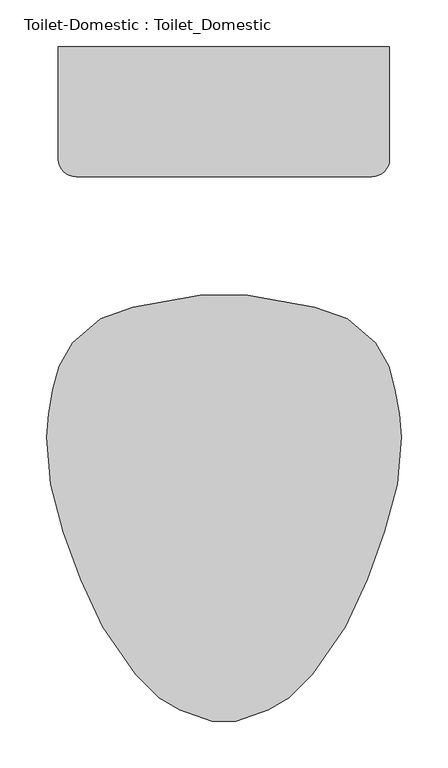
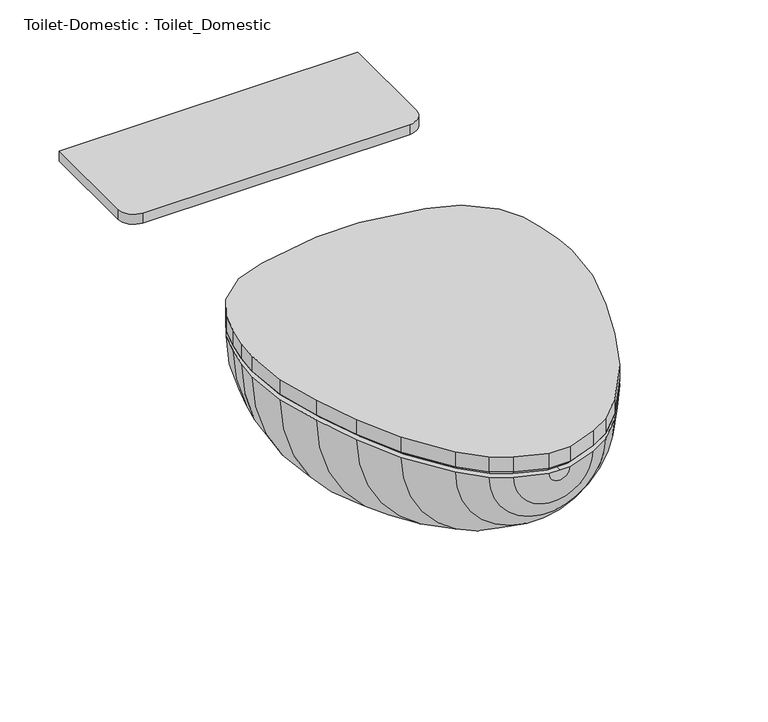
"""IFC4 building model written with IfcOpenShell, lengths in millimetres: flow terminal geometry, Toilet-Domestic : Toilet_Domestic."""

from ifc_helpers import new_model, si_unit, point, frame, frame_2d, origin, place, context, project, spatial, polyline, circle_curve, trimmed, segment, composite_curve, outline, extrude, faceted_brep, source, transform, mapped, element, save
from ifc_brep_helpers import plane_surface, revolved_surface, advanced_brep


def toilet_domestic_toilet_domestic_183bbd19(model_context):
    return source(origin(), model_context, "Body", "SolidModel", [
        advanced_brep(
        [(-25.4, 152.4, 361.95), (-97.4252791, 139.7, 361.95), (-132.3182423, 127.0, 361.95), (-162.5887836, 101.6, 361.95), (-176.9845865, 76.2, 361.95), (-183.790496, 50.8, 361.95), (-188.2862441, 25.3033453, 361.95), (-190.5, 0.0, 361.95), (-186.0724883, -50.6066907, 361.95), (-172.4088722, -101.6, 361.95), (-153.9191843, -152.4, 361.95), (-130.2307553, -203.2, 361.95), (-94.9900085, -254.0, 361.95), (-69.5900085, -279.4, 361.95), (-47.5929632, -292.1, 361.95), (-12.7, -304.8, 361.95), (0.0, -304.8, 361.95), (0.0, -284.592034, 361.95), (-12.5224565, -284.592034, 361.95), (-39.5113323, -274.7688865, 361.95), (-58.4178985, -263.8531754, 361.95), (-79.2146703, -243.0564036, 361.95), (-114.0255101, -192.8761202, 361.95), (-136.654021, -144.3491221, 361.95), (-154.575847, -95.1093097, 361.95), (-167.7238545, -46.0402777, 361.95), (-171.5645445, -2.1409906, 361.95), (-169.3087351, 23.6430284, 361.95), (-165.101298, 47.5045901, 361.95), (-159.5484355, 68.2281551, 361.95), (-146.1085923, 90.5605136, 361.95), (-121.9980886, 110.7916284, 361.95), (-94.1172813, 120.9394123, 361.95), (-22.0920022, 133.6394123, 361.95), (0.0, 133.6394123, 361.95), (0.0, 152.4, 361.95), (25.4, 152.4, 361.95), (22.0920022, 133.6394123, 361.95), (94.1172813, 120.9394123, 361.95), (121.9980886, 110.7916284, 361.95), (146.1085923, 90.5605136, 361.95), (159.5484355, 68.2281551, 361.95), (165.101298, 47.5045901, 361.95), (169.3087351, 23.6430284, 361.95), (171.5645445, -2.1409906, 361.95), (167.7238545, -46.0402777, 361.95), (154.575847, -95.1093097, 361.95), (136.654021, -144.3491221, 361.95), (114.0255101, -192.8761202, 361.95), (79.2146703, -243.0564036, 361.95), (58.4178985, -263.8531754, 361.95), (39.5113323, -274.7688865, 361.95), (12.5224565, -284.592034, 361.95), (12.7, -304.8, 361.95), (47.5929632, -292.1, 361.95), (69.5900085, -279.4, 361.95), (94.9900085, -254.0, 361.95), (130.2307553, -203.2, 361.95), (153.9191843, -152.4, 361.95), (172.4088722, -101.6, 361.95), (186.0724883, -50.6066907, 361.95), (190.5, 0.0, 361.95), (188.2862441, 25.3033453, 361.95), (183.790496, 50.8, 361.95), (176.9845865, 76.2, 361.95), (162.5887836, 101.6, 361.95), (132.3182423, 127.0, 361.95), (97.4252791, 139.7, 361.95)],
        [
            (0, 1),
            (1, 2),
            (2, 3),
            (3, 4),
            (4, 5),
            (5, 6),
            (6, 7),
            (7, 8),
            (8, 9),
            (9, 10),
            (10, 11),
            (11, 12),
            (12, 13),
            (13, 14),
            (14, 15),
            (15, 16),
            (16, 17),
            (17, 18),
            (18, 19),
            (19, 20),
            (20, 21),
            (21, 22),
            (22, 23),
            (23, 24),
            (24, 25),
            (25, 26),
            (26, 27),
            (27, 28),
            (28, 29),
            (29, 30),
            (30, 31),
            (31, 32),
            (32, 33),
            (33, 34),
            (34, 35),
            (35, 0),
            (36, 35),
            (34, 37),
            (37, 38),
            (38, 39),
            (39, 40),
            (40, 41),
            (41, 42),
            (42, 43),
            (43, 44),
            (44, 45),
            (45, 46),
            (46, 47),
            (47, 48),
            (48, 49),
            (49, 50),
            (50, 51),
            (51, 52),
            (52, 17),
            (16, 53),
            (53, 54),
            (54, 55),
            (55, 56),
            (56, 57),
            (57, 58),
            (58, 59),
            (59, 60),
            (60, 61),
            (61, 62),
            (62, 63),
            (63, 64),
            (64, 65),
            (65, 66),
            (66, 67),
            (67, 36),
            (67, 1, circle_curve(frame((0.0, 139.7, 361.95), z_axis=(0.0, 1.0, 0.0), x_axis=(-1.0, 0.0, 0.0)), 97.4252791)),
            (0, 36, circle_curve(frame((0.0, 152.4, 361.95), z_axis=(0.0, -1.0, 0.0), x_axis=(-1.0, 0.0, 0.0)), 25.4)),
            (66, 2, circle_curve(frame((0.0, 127.0, 361.95), z_axis=(0.0, 1.0, 0.0), x_axis=(-1.0, 0.0, 0.0)), 132.3182423)),
            (65, 3, circle_curve(frame((0.0, 101.6, 361.95), z_axis=(0.0, 1.0, 0.0), x_axis=(-1.0, 0.0, 0.0)), 162.5887836)),
            (64, 4, circle_curve(frame((0.0, 76.2, 361.95), z_axis=(0.0, 1.0, 0.0), x_axis=(-1.0, 0.0, 0.0)), 176.9845865)),
            (63, 5, circle_curve(frame((0.0, 50.8, 361.95), z_axis=(0.0, 1.0, 0.0), x_axis=(-1.0, 0.0, 0.0)), 183.790496)),
            (62, 6, circle_curve(frame((0.0, 25.3033453, 361.95), z_axis=(0.0, 1.0, 0.0), x_axis=(-1.0, 0.0, 0.0)), 188.2862441)),
            (61, 7, circle_curve(frame((0.0, 0.0, 361.95), z_axis=(0.0, 1.0, 0.0), x_axis=(-1.0, 0.0, 0.0)), 190.5)),
            (60, 8, circle_curve(frame((0.0, -50.6066907, 361.95), z_axis=(0.0, 1.0, 0.0), x_axis=(-1.0, 0.0, 0.0)), 186.0724883)),
            (59, 9, circle_curve(frame((0.0, -101.6, 361.95), z_axis=(0.0, 1.0, 0.0), x_axis=(-1.0, 0.0, 0.0)), 172.4088722)),
            (58, 10, circle_curve(frame((0.0, -152.4, 361.95), z_axis=(0.0, 1.0, 0.0), x_axis=(-1.0, 0.0, 0.0)), 153.9191843)),
            (57, 11, circle_curve(frame((0.0, -203.2, 361.95), z_axis=(0.0, 1.0, 0.0), x_axis=(-1.0, 0.0, 0.0)), 130.2307553)),
            (56, 12, circle_curve(frame((0.0, -254.0, 361.95), z_axis=(0.0, 1.0, 0.0), x_axis=(-1.0, 0.0, 0.0)), 94.9900085)),
            (55, 13, circle_curve(frame((0.0, -279.4, 361.95), z_axis=(0.0, 1.0, 0.0), x_axis=(-1.0, 0.0, 0.0)), 69.5900085)),
            (54, 14, circle_curve(frame((0.0, -292.1, 361.95), z_axis=(0.0, 1.0, 0.0), x_axis=(-1.0, 0.0, 0.0)), 47.5929632)),
            (53, 15, circle_curve(frame((0.0, -304.8, 361.95), z_axis=(0.0, 1.0, 0.0), x_axis=(-1.0, 0.0, 0.0)), 12.7)),
            (52, 18, circle_curve(frame((0.0, -284.592034, 361.95), z_axis=(0.0, 1.0, 0.0), x_axis=(-1.0, 0.0, 0.0)), 12.5224565)),
            (51, 19, circle_curve(frame((0.0, -274.7688865, 361.95), z_axis=(0.0, 1.0, 0.0), x_axis=(-1.0, 0.0, 0.0)), 39.5113323)),
            (50, 20, circle_curve(frame((0.0, -263.8531754, 361.95), z_axis=(0.0, 1.0, 0.0), x_axis=(-1.0, 0.0, 0.0)), 58.4178985)),
            (49, 21, circle_curve(frame((0.0, -243.0564036, 361.95), z_axis=(0.0, 1.0, 0.0), x_axis=(-1.0, 0.0, 0.0)), 79.2146703)),
            (48, 22, circle_curve(frame((0.0, -192.8761202, 361.95), z_axis=(0.0, 1.0, 0.0), x_axis=(-1.0, 0.0, 0.0)), 114.0255101)),
            (47, 23, circle_curve(frame((0.0, -144.3491221, 361.95), z_axis=(0.0, 1.0, 0.0), x_axis=(-1.0, 0.0, 0.0)), 136.654021)),
            (46, 24, circle_curve(frame((0.0, -95.1093097, 361.95), z_axis=(0.0, 1.0, 0.0), x_axis=(-1.0, 0.0, 0.0)), 154.575847)),
            (45, 25, circle_curve(frame((0.0, -46.0402777, 361.95), z_axis=(0.0, 1.0, 0.0), x_axis=(-1.0, 0.0, 0.0)), 167.7238545)),
            (44, 26, circle_curve(frame((0.0, -2.1409906, 361.95), z_axis=(0.0, 1.0, 0.0), x_axis=(-1.0, 0.0, 0.0)), 171.5645445)),
            (43, 27, circle_curve(frame((0.0, 23.6430284, 361.95), z_axis=(0.0, 1.0, 0.0), x_axis=(-1.0, 0.0, 0.0)), 169.3087351)),
            (42, 28, circle_curve(frame((0.0, 47.5045901, 361.95), z_axis=(0.0, 1.0, 0.0), x_axis=(-1.0, 0.0, 0.0)), 165.101298)),
            (41, 29, circle_curve(frame((0.0, 68.2281551, 361.95), z_axis=(0.0, 1.0, 0.0), x_axis=(-1.0, 0.0, 0.0)), 159.5484355)),
            (40, 30, circle_curve(frame((0.0, 90.5605136, 361.95), z_axis=(0.0, 1.0, 0.0), x_axis=(-1.0, 0.0, 0.0)), 146.1085923)),
            (39, 31, circle_curve(frame((0.0, 110.7916284, 361.95), z_axis=(0.0, 1.0, 0.0), x_axis=(-1.0, 0.0, 0.0)), 121.9980886)),
            (38, 32, circle_curve(frame((0.0, 120.9394123, 361.95), z_axis=(0.0, 1.0, 0.0), x_axis=(-1.0, 0.0, 0.0)), 94.1172813)),
            (37, 33, circle_curve(frame((0.0, 133.6394123, 361.95), z_axis=(0.0, 1.0, 0.0), x_axis=(-1.0, 0.0, 0.0)), 22.0920022)),
        ],
        [
            plane_surface(frame((0.0, 175.1599017, 361.95), z_axis=(0.0, 0.0, 1.0), x_axis=(-1.0, 0.0, 0.0))),
            plane_surface(frame((0.0, 175.1599017, 361.95), z_axis=(0.0, 0.0, 1.0), x_axis=(1.0, 0.0, 0.0))),
            revolved_surface(polyline([(-25.4, 152.4, 361.95), (-97.4252791, 139.7, 361.95)]), (0.0, 175.1599017, 361.95), (0.0, -1.0, 0.0)),
            revolved_surface(polyline([(-97.4252791, 139.7, 361.95), (-132.3182423, 127.0, 361.95)]), (0.0, 175.1599017, 361.95), (0.0, -1.0, 0.0)),
            revolved_surface(polyline([(-132.3182423, 127.0, 361.95), (-162.5887836, 101.6, 361.95)]), (0.0, 175.1599017, 361.95), (0.0, -1.0, 0.0)),
            revolved_surface(polyline([(-162.5887836, 101.6, 361.95), (-176.9845865, 76.2, 361.95)]), (0.0, 175.1599017, 361.95), (0.0, -1.0, 0.0)),
            revolved_surface(polyline([(-176.9845865, 76.2, 361.95), (-183.790496, 50.8, 361.95)]), (0.0, 175.1599017, 361.95), (0.0, -1.0, 0.0)),
            revolved_surface(polyline([(-183.790496, 50.8, 361.95), (-188.2862441, 25.3033453, 361.95)]), (0.0, 175.1599017, 361.95), (0.0, -1.0, 0.0)),
            revolved_surface(polyline([(-188.2862441, 25.3033453, 361.95), (-190.5, 0.0, 361.95)]), (0.0, 175.1599017, 361.95), (0.0, -1.0, 0.0)),
            revolved_surface(polyline([(-190.5, 0.0, 361.95), (-186.0724883, -50.6066907, 361.95)]), (0.0, 175.1599017, 361.95), (0.0, -1.0, 0.0)),
            revolved_surface(polyline([(-186.0724883, -50.6066907, 361.95), (-172.4088722, -101.6, 361.95)]), (0.0, 175.1599017, 361.95), (0.0, -1.0, 0.0)),
            revolved_surface(polyline([(-172.4088722, -101.6, 361.95), (-153.9191843, -152.4, 361.95)]), (0.0, 175.1599017, 361.95), (0.0, -1.0, 0.0)),
            revolved_surface(polyline([(-153.9191843, -152.4, 361.95), (-130.2307553, -203.2, 361.95)]), (0.0, 175.1599017, 361.95), (0.0, -1.0, 0.0)),
            revolved_surface(polyline([(-130.2307553, -203.2, 361.95), (-94.9900085, -254.0, 361.95)]), (0.0, 175.1599017, 361.95), (0.0, -1.0, 0.0)),
            revolved_surface(polyline([(-94.9900085, -254.0, 361.95), (-69.5900085, -279.4, 361.95)]), (0.0, 175.1599017, 361.95), (0.0, -1.0, 0.0)),
            revolved_surface(polyline([(-69.5900085, -279.4, 361.95), (-47.5929632, -292.1, 361.95)]), (0.0, 175.1599017, 361.95), (0.0, -1.0, 0.0)),
            revolved_surface(polyline([(-47.5929632, -292.1, 361.95), (-12.7, -304.8, 361.95)]), (0.0, 175.1599017, 361.95), (0.0, -1.0, 0.0)),
            plane_surface(frame((0.0, -304.8, 361.95), z_axis=(0.0, -1.0, 0.0), x_axis=(-1.0, 0.0, 0.0))),
            plane_surface(frame((0.0, -284.592034, 361.95), z_axis=(0.0, 1.0, 0.0), x_axis=(-1.0, 0.0, 0.0))),
            revolved_surface(polyline([(-12.5224565, -284.592034, 361.95), (-39.5113323, -274.7688865, 361.95)]), (0.0, 175.1599017, 361.95), (0.0, -1.0, 0.0)),
            revolved_surface(polyline([(-39.5113323, -274.7688865, 361.95), (-58.4178985, -263.8531754, 361.95)]), (0.0, 175.1599017, 361.95), (0.0, -1.0, 0.0)),
            revolved_surface(polyline([(-58.4178985, -263.8531754, 361.95), (-79.2146703, -243.0564036, 361.95)]), (0.0, 175.1599017, 361.95), (0.0, -1.0, 0.0)),
            revolved_surface(polyline([(-79.2146703, -243.0564036, 361.95), (-114.0255101, -192.8761202, 361.95)]), (0.0, 175.1599017, 361.95), (0.0, -1.0, 0.0)),
            revolved_surface(polyline([(-114.0255101, -192.8761202, 361.95), (-136.654021, -144.3491221, 361.95)]), (0.0, 175.1599017, 361.95), (0.0, -1.0, 0.0)),
            revolved_surface(polyline([(-136.654021, -144.3491221, 361.95), (-154.575847, -95.1093097, 361.95)]), (0.0, 175.1599017, 361.95), (0.0, -1.0, 0.0)),
            revolved_surface(polyline([(-154.575847, -95.1093097, 361.95), (-167.7238545, -46.0402777, 361.95)]), (0.0, 175.1599017, 361.95), (0.0, -1.0, 0.0)),
            revolved_surface(polyline([(-167.7238545, -46.0402777, 361.95), (-171.5645445, -2.1409906, 361.95)]), (0.0, 175.1599017, 361.95), (0.0, -1.0, 0.0)),
            revolved_surface(polyline([(-171.5645445, -2.1409906, 361.95), (-169.3087351, 23.6430284, 361.95)]), (0.0, 175.1599017, 361.95), (0.0, -1.0, 0.0)),
            revolved_surface(polyline([(-169.3087351, 23.6430284, 361.95), (-165.101298, 47.5045901, 361.95)]), (0.0, 175.1599017, 361.95), (0.0, -1.0, 0.0)),
            revolved_surface(polyline([(-165.101298, 47.5045901, 361.95), (-159.5484355, 68.2281551, 361.95)]), (0.0, 175.1599017, 361.95), (0.0, -1.0, 0.0)),
            revolved_surface(polyline([(-159.5484355, 68.2281551, 361.95), (-146.1085923, 90.5605136, 361.95)]), (0.0, 175.1599017, 361.95), (0.0, -1.0, 0.0)),
            revolved_surface(polyline([(-146.1085923, 90.5605136, 361.95), (-121.9980886, 110.7916284, 361.95)]), (0.0, 175.1599017, 361.95), (0.0, -1.0, 0.0)),
            revolved_surface(polyline([(-121.9980886, 110.7916284, 361.95), (-94.1172813, 120.9394123, 361.95)]), (0.0, 175.1599017, 361.95), (0.0, -1.0, 0.0)),
            revolved_surface(polyline([(-94.1172813, 120.9394123, 361.95), (-22.0920022, 133.6394123, 361.95)]), (0.0, 175.1599017, 361.95), (0.0, -1.0, 0.0)),
            plane_surface(frame((0.0, 133.6394123, 361.95), z_axis=(0.0, -1.0, 0.0), x_axis=(-1.0, 0.0, 0.0))),
            plane_surface(frame((0.0, 152.4, 361.95), z_axis=(0.0, 1.0, 0.0), x_axis=(-1.0, 0.0, 0.0))),
        ],
        [
            (0, [[1, 2, 3, 4, 5, 6, 7, 8, 9, 10, 11, 12, 13, 14, 15, 16, 17, 18, 19, 20, 21, 22, 23, 24, 25, 26, 27, 28, 29, 30, 31, 32, 33, 34, 35, 36]]),
            (1, [[37, -35, 38, 39, 40, 41, 42, 43, 44, 45, 46, 47, 48, 49, 50, 51, 52, 53, 54, -17, 55, 56, 57, 58, 59, 60, 61, 62, 63, 64, 65, 66, 67, 68, 69, 70]]),
            (2, [[71, -1, 72, -70]]),
            (3, [[73, -2, -71, -69]]),
            (4, [[74, -3, -73, -68]]),
            (5, [[75, -4, -74, -67]]),
            (6, [[76, -5, -75, -66]]),
            (7, [[77, -6, -76, -65]]),
            (8, [[78, -7, -77, -64]]),
            (9, [[79, -8, -78, -63]]),
            (10, [[80, -9, -79, -62]]),
            (11, [[81, -10, -80, -61]]),
            (12, [[82, -11, -81, -60]]),
            (13, [[83, -12, -82, -59]]),
            (14, [[84, -13, -83, -58]]),
            (15, [[85, -14, -84, -57]]),
            (16, [[86, -15, -85, -56]]),
            (17, [[-16, -86, -55]]),
            (18, [[87, -18, -54]]),
            (19, [[88, -19, -87, -53]]),
            (20, [[89, -20, -88, -52]]),
            (21, [[90, -21, -89, -51]]),
            (22, [[91, -22, -90, -50]]),
            (23, [[92, -23, -91, -49]]),
            (24, [[93, -24, -92, -48]]),
            (25, [[94, -25, -93, -47]]),
            (26, [[95, -26, -94, -46]]),
            (27, [[96, -27, -95, -45]]),
            (28, [[97, -28, -96, -44]]),
            (29, [[98, -29, -97, -43]]),
            (30, [[99, -30, -98, -42]]),
            (31, [[100, -31, -99, -41]]),
            (32, [[101, -32, -100, -40]]),
            (33, [[102, -33, -101, -39]]),
            (34, [[-34, -102, -38]]),
            (35, [[-72, -36, -37]]),
        ],
    ),
        faceted_brep([(-97.4252791, 139.7, 368.3), (-132.3182423, 127.0, 368.3), (-162.5887836, 101.6, 368.3), (-176.9845865, 76.2, 368.3), (-183.790496, 50.8, 368.3), (-188.2862441, 25.3033453, 368.3), (-190.5, 0.0, 368.3), (-186.0724883, -50.6066907, 368.3), (-172.4088722, -101.6, 368.3), (-153.9191843, -152.4, 368.3), (-130.2307553, -203.2, 368.3), (-94.9900085, -254.0, 368.3), (-69.5900085, -279.4, 368.3), (-47.5929632, -292.1, 368.3), (-12.7, -304.8, 368.3), (12.7, -304.8, 368.3), (47.5929632, -292.1, 368.3), (69.5900085, -279.4, 368.3), (94.9900085, -254.0, 368.3), (130.2307553, -203.2, 368.3), (153.9191843, -152.4, 368.3), (172.4088722, -101.6, 368.3), (186.0724883, -50.6066907, 368.3), (190.5, 0.0, 368.3), (188.2862441, 25.3033453, 368.3), (183.790496, 50.8, 368.3), (176.9845865, 76.2, 368.3), (162.5887836, 101.6, 368.3), (132.3182423, 127.0, 368.3), (97.4252791, 139.7, 368.3), (25.4, 152.4, 368.3), (-25.4, 152.4, 368.3), (-95.7755003, 133.5429415, 361.95), (-24.844447, 146.05, 361.95), (24.844447, 146.05, 361.95), (95.7755003, 133.5429415, 361.95), (129.0942628, 121.4159037, 361.95), (157.6293435, 97.472128, 361.95), (171.060664, 73.773864, 361.95), (177.5851102, 49.4242991, 361.95), (181.9845715, 24.4737144, 361.95), (184.125744, 0.0, 361.95), (179.7950716, -49.4998127, 361.95), (166.347, -99.688699, 361.95), (148.0469602, -149.9676451, 361.95), (124.7045808, -200.0255393, 361.95), (90.0971582, -249.9125941, 361.95), (65.691017, -274.3187354, 361.95), (44.8990862, -286.3229622, 361.95), (11.5803237, -298.45, 361.95), (-11.5803237, -298.45, 361.95), (-44.8990862, -286.3229622, 361.95), (-65.691017, -274.3187354, 361.95), (-90.0971582, -249.9125941, 361.95), (-124.7045808, -200.0255393, 361.95), (-148.0469602, -149.9676451, 361.95), (-166.347, -99.688699, 361.95), (-179.7950716, -49.4998127, 361.95), (-184.125744, 0.0, 361.95), (-181.9845715, 24.4737144, 361.95), (-177.5851102, 49.4242991, 361.95), (-171.060664, 73.773864, 361.95), (-157.6293435, 97.472128, 361.95), (-129.0942628, 121.4159037, 361.95)], [[[0, 1, 2, 3, 4, 5, 6, 7, 8, 9, 10, 11, 12, 13, 14, 15, 16, 17, 18, 19, 20, 21, 22, 23, 24, 25, 26, 27, 28, 29, 30, 31]], [[32, 33, 34, 35, 36, 37, 38, 39, 40, 41, 42, 43, 44, 45, 46, 47, 48, 49, 50, 51, 52, 53, 54, 55, 56, 57, 58, 59, 60, 61, 62, 63]], [[32, 63, 1, 0]], [[63, 62, 2, 1]], [[62, 61, 3, 2]], [[61, 60, 4, 3]], [[60, 59, 5, 4]], [[59, 58, 6, 5]], [[58, 57, 7, 6]], [[57, 56, 8, 7]], [[56, 55, 9, 8]], [[55, 54, 10, 9]], [[54, 53, 11, 10]], [[53, 52, 12, 11]], [[52, 51, 13, 12]], [[51, 50, 14, 13]], [[50, 49, 15, 14]], [[49, 48, 16, 15]], [[48, 47, 17, 16]], [[47, 46, 18, 17]], [[46, 45, 19, 18]], [[45, 44, 20, 19]], [[44, 43, 21, 20]], [[43, 42, 22, 21]], [[42, 41, 23, 22]], [[41, 40, 24, 23]], [[40, 39, 25, 24]], [[39, 38, 26, 25]], [[38, 37, 27, 26]], [[37, 36, 28, 27]], [[36, 35, 29, 28]], [[35, 34, 30, 29]], [[34, 33, 31, 30]], [[33, 32, 0, 31]]]),
        extrude(outline(composite_curve([segment(polyline([(177.8, 419.1), (177.8, 298.45)]), True, "CONTINUOUS"), segment(trimmed(circle_curve(frame_2d((158.75, 298.45)), 19.05), [point((177.8, 298.45))], [point((158.75, 279.4))], False, "CARTESIAN"), True, "CONTINUOUS"), segment(polyline([(158.75, 279.4), (-158.75, 279.4)]), True, "CONTINUOUS"), segment(trimmed(circle_curve(frame_2d((-158.75, 298.45)), 19.05), [point((-158.75, 279.4))], [point((-177.8, 298.45))], False, "CARTESIAN"), True, "CONTINUOUS"), segment(polyline([(-177.8, 298.45), (-177.8, 419.1), (177.8, 419.1)]), True, "CONTINUOUS")], self_intersect=False)), frame((0.0, 0.0, 374.65), z_axis=(0.0, 0.0, 1.0), x_axis=(1.0, 0.0, 0.0)), (0.0, 0.0, 1.0), 12.5681453),
        extrude(outline(polyline([(-162.5887836, 101.6), (-132.3182423, 127.0), (-97.4252791, 139.7), (-25.4, 152.4), (25.4, 152.4), (97.4252791, 139.7), (132.3182423, 127.0), (162.5887836, 101.6), (176.9845865, 76.2), (183.790496, 50.8), (188.2862441, 25.3033453), (190.5, 0.0), (186.0724883, -50.6066907), (172.4088722, -101.6), (153.9191843, -152.4), (130.2307553, -203.2), (94.9900085, -254.0), (69.5900085, -279.4), (47.5929632, -292.1), (12.7, -304.8), (-12.7, -304.8), (-47.5929632, -292.1), (-69.5900085, -279.4), (-94.9900085, -254.0), (-130.2307553, -203.2), (-153.9191843, -152.4), (-172.4088722, -101.6), (-186.0724883, -50.6066907), (-190.5, 0.0), (-188.2862441, 25.3033453), (-183.790496, 50.8), (-176.9845865, 76.2), (-162.5887836, 101.6)])), frame((0.0, 0.0, 368.3), z_axis=(0.0, 0.0, 1.0), x_axis=(1.0, 0.0, 0.0)), (0.0, 0.0, 1.0), 19.05),
    ])


if __name__ == "__main__":
    model = new_model("IFC4")
    model_context = context("Model", 3, world=origin())
    ifc_project = project(units=[si_unit("LENGTHUNIT", "METRE", prefix="MILLI")], contexts=[model_context])
    site = spatial("IfcSite", under=ifc_project)
    building = spatial("IfcBuilding", under=site)
    placement = place(None, origin())
    toilet_domestic_toilet_domestic_shape = toilet_domestic_toilet_domestic_183bbd19(model_context)
    element("IfcFlowTerminal", 1, ObjectType="Toilet-Domestic : Toilet_Domestic", at=placement, inside=building, context=model_context, shape_type="MappedRepresentation", body=[
        mapped(toilet_domestic_toilet_domestic_shape, transform((0.0, 0.0, 0.0), x_axis=(1.0, 0.0, 0.0), y_axis=(0.0, 1.0, 0.0), z_axis=(0.0, 0.0, 1.0))),
    ])
    save(model, "model.ifc")
